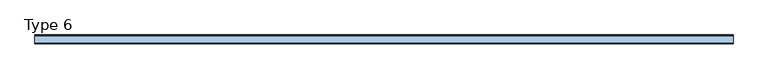
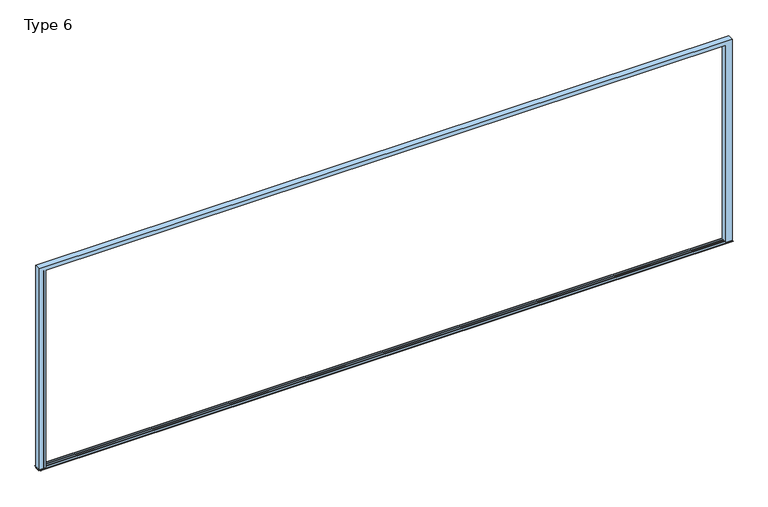
"""IFC4 building model written with IfcOpenShell, lengths in millimetres: window geometry, Type 6."""

from ifc_helpers import new_model, si_unit, frame, origin, place, context, project, spatial, polyline, circle_curve, ellipse_curve, outline, extrude, source, transform, mapped, element, save
from ifc_brep_helpers import plane_surface, cylinder_surface, advanced_brep


def type_6_55e549b1(model_context):
    return source(origin(), model_context, "Body", "SolidModel", [
        advanced_brep(
        [(3890.0, -70.0, 0.0), (3890.0, 0.0, 0.0), (3890.0, 0.0, 2390.0), (3890.0, -70.0, 2390.0), (3845.0, -66.5, 0.0), (3845.0, -70.0, 0.0), (3845.0, -70.0, 2345.0), (3845.0, -66.5, 2345.0), (3818.7961345, -66.5, 2345.0), (-3818.8, -66.5, 2345.0), (-3818.8, -66.5, 2365.9997864), (3818.7961345, -66.5, 2365.9997864), (3818.7961345, -55.8499756, 2365.9997864), (-3818.8, -55.8499756, 2365.9997864), (-3818.8, -55.8499756, 2349.000061), (3818.7961345, -55.8499756, 2349.000061), (3818.7961345, -46.25, 2349.000061), (-3818.8, -46.25, 2349.000061), (-3818.8, -46.25, 2365.9997864), (3818.7961345, -46.25, 2365.9997864), (3818.7961345, -23.7500839, 2365.9997864), (-3818.8, -23.7500839, 2365.9997864), (-3818.8, -23.7500839, 2349.000061), (3818.7961345, -23.7500839, 2349.000061), (3818.7961345, -14.1501312, 2349.000061), (-3818.8, -14.1501312, 2349.000061), (-3818.8, -14.1501312, 2365.9997864), (3818.7961345, -14.1501312, 2365.9997864), (3818.7961345, 0.0, 2365.9997864), (-3818.8, 0.0, 2365.9997864), (-3818.8, 0.0, 2330.0000916), (3818.7961345, 0.0, 2330.0000916), (3830.0000916, 7.4999847, 0.0), (3830.0000916, 0.0, 0.0), (3830.0000916, 0.0, 2330.0000916), (3830.0000916, 7.4999847, 2330.0000916), (3832.5000916, 9.9999847, 0.0), (3832.5000916, 9.9999847, 2332.5000916), (3873.499939, 9.9999847, 0.0), (-3832.5000916, 9.9999847, 2332.5000916), (-3832.5000916, 9.9999847, 0.0), (-3873.499939, 9.9999847, 0.0), (-3873.499939, 9.9999847, 2373.499939), (3873.499939, 9.9999847, 2373.499939), (3877.999939, 5.4999847, 0.0), (3877.999939, 5.4999847, 2377.999939), (3877.999939, 0.0, 0.0), (3877.999939, 0.0, 2377.999939), (-3877.999939, 0.0, 0.0), (-3877.999939, 0.0, 2377.999939), (-3877.999939, 5.4999847, 2377.999939), (-3877.999939, 5.4999847, 0.0), (-3890.0, 0.0, 2390.0), (-3890.0, 0.0, 0.0), (-3890.0, -70.0, 0.0), (-3890.0, -70.0, 2390.0), (-3845.0, -70.0, 2345.0), (-3845.0, -70.0, 0.0), (-3845.0, -66.5, 0.0), (-3845.0, -66.4999084, 2345.0), (-3830.0000916, 7.4999847, 2330.0000916), (-3830.0000916, 0.0, 2330.0000916), (-3830.0000916, 0.0, 0.0), (-3830.0000916, 7.4999847, 0.0), (3840.0003662, -70.0, 2345.0), (3840.0003662, -66.4999084, 2345.0), (-3840.0003662, -66.4999084, 2345.0), (-3840.0003662, -70.0, 2345.0), (3818.7961345, -70.0, 2345.0), (-3818.8, -70.0, 2345.0), (-3840.0003662, -66.4999084, 0.0), (-3840.0003662, -70.0, 0.0), (3840.0003662, -66.4999084, 0.0), (3840.0003662, -70.0, 0.0), (-3818.8, -70.0, 0.0), (-3818.8, 0.0, 0.0), (3818.7961345, 0.0, 0.0), (3818.7961345, -70.0, 0.0)],
        [
            (0, 1),
            (1, 2),
            (2, 3),
            (3, 0),
            (4, 5),
            (5, 6),
            (6, 7),
            (7, 4),
            (8, 9),
            (9, 10),
            (10, 11),
            (11, 8),
            (12, 13),
            (13, 14),
            (14, 15),
            (15, 12),
            (16, 17),
            (17, 18),
            (18, 19),
            (19, 16),
            (20, 21),
            (21, 22),
            (22, 23),
            (23, 20),
            (24, 25),
            (25, 26),
            (26, 27),
            (27, 24),
            (28, 29),
            (29, 30),
            (30, 31),
            (31, 28),
            (32, 33),
            (33, 34),
            (34, 35),
            (35, 32),
            (36, 32, circle_curve(frame((3832.5000916, 7.4999847, 0.0), z_axis=(0.0, 0.0, 1.0), x_axis=(-1.0, 0.0, 0.0)), 2.5)),
            (35, 37, ellipse_curve(frame((3832.5000916, 7.4999847, 2332.5000916), z_axis=(0.7071067811865475, 0.0, -0.7071067811865475), x_axis=(-0.7071067811865474, 0.0, -0.7071067811865476)), 3.5355339, 2.5)),
            (37, 36),
            (38, 36),
            (37, 39),
            (39, 40),
            (40, 41),
            (41, 42),
            (42, 43),
            (43, 38),
            (44, 38, circle_curve(frame((3873.499939, 5.4999847, 0.0), z_axis=(0.0, 0.0, 1.0), x_axis=(-1.0, 0.0, 0.0)), 4.5)),
            (43, 45, ellipse_curve(frame((3873.499939, 5.4999847, 2373.499939), z_axis=(0.7071067811865475, 0.0, -0.7071067811865475), x_axis=(-0.7071067811865474, 0.0, -0.7071067811865476)), 6.363961, 4.5)),
            (45, 44),
            (46, 44),
            (45, 47),
            (47, 46),
            (48, 49),
            (49, 50),
            (50, 51),
            (51, 48),
            (52, 53),
            (53, 54),
            (54, 55),
            (55, 52),
            (56, 57),
            (57, 58),
            (58, 59),
            (59, 56),
            (60, 61),
            (61, 62),
            (62, 63),
            (63, 60),
            (39, 60, ellipse_curve(frame((-3832.5000916, 7.4999847, 2332.5000916), z_axis=(-0.7071067811865475, 0.0, -0.7071067811865475), x_axis=(-0.7071067811865474, 0.0, 0.7071067811865476)), 3.5355339, 2.5)),
            (63, 40, circle_curve(frame((-3832.5000916, 7.4999847, 0.0), z_axis=(0.0, 0.0, 1.0), x_axis=(1.0, 0.0, 0.0)), 2.5)),
            (41, 51, circle_curve(frame((-3873.499939, 5.4999847, 0.0), z_axis=(0.0, 0.0, 1.0), x_axis=(1.0, 0.0, 0.0)), 4.5)),
            (50, 42, ellipse_curve(frame((-3873.499939, 5.4999847, 2373.499939), z_axis=(-0.7071067811865475, 0.0, -0.7071067811865475), x_axis=(-0.7071067811865474, 0.0, 0.7071067811865476)), 6.363961, 4.5)),
            (49, 47),
            (45, 50),
            (6, 64),
            (64, 65),
            (65, 7),
            (59, 66),
            (66, 67),
            (67, 56),
            (68, 69),
            (69, 9),
            (8, 68),
            (12, 11),
            (10, 13),
            (16, 15),
            (14, 17),
            (20, 19),
            (18, 21),
            (24, 23),
            (22, 25),
            (28, 27),
            (26, 29),
            (34, 31),
            (30, 61),
            (60, 35),
            (70, 71),
            (71, 67),
            (66, 70),
            (58, 70),
            (72, 4),
            (65, 72),
            (73, 72),
            (64, 73),
            (74, 75),
            (75, 30),
            (69, 74),
            (76, 77),
            (77, 68),
            (31, 76),
            (1, 46),
            (48, 53),
            (52, 2),
            (75, 62),
            (33, 76),
            (57, 54),
            (74, 71),
            (5, 0),
            (3, 55),
            (77, 73),
        ],
        [
            plane_surface(frame((3890.0, 0.0, 0.0), z_axis=(1.0, 0.0, 0.0), x_axis=(0.0, 0.0, 1.0))),
            plane_surface(frame((3845.0, -70.0, 0.0), z_axis=(-1.0, 0.0, 0.0), x_axis=(0.0, 0.0, 1.0))),
            plane_surface(frame((3845.0, -66.5, 0.0), z_axis=(0.0, 1.0, 0.0), x_axis=(0.0, 0.0, 1.0))),
            plane_surface(frame((3865.9997864, -55.8499756, 0.0), z_axis=(0.0, -1.0, 0.0), x_axis=(0.0, 0.0, 1.0))),
            plane_surface(frame((3849.000061, -46.25, 0.0), z_axis=(0.0, 1.0, 0.0), x_axis=(0.0, 0.0, 1.0))),
            plane_surface(frame((3865.9997864, -23.7500839, 0.0), z_axis=(0.0, -1.0, 0.0), x_axis=(0.0, 0.0, 1.0))),
            plane_surface(frame((3849.000061, -14.1501312, 0.0), z_axis=(0.0, 1.0, 0.0), x_axis=(0.0, 0.0, 1.0))),
            plane_surface(frame((3865.9997864, 0.0, 0.0), z_axis=(0.0, -1.0, 0.0), x_axis=(0.0, 0.0, 1.0))),
            plane_surface(frame((3830.0000916, 0.0, 0.0), z_axis=(-1.0, 0.0, 0.0), x_axis=(0.0, 0.0, 1.0))),
            cylinder_surface(frame((3832.5000916, 7.4999847, 0.0), z_axis=(0.0, 0.0, -1.0), x_axis=(-1.0, 0.0, 0.0)), 2.5),
            plane_surface(frame((3832.5000916, 9.9999847, 0.0), z_axis=(0.0, 1.0, 0.0), x_axis=(0.0, 0.0, 1.0))),
            cylinder_surface(frame((3873.499939, 5.4999847, 0.0), z_axis=(0.0, 0.0, -1.0), x_axis=(-1.0, 0.0, 0.0)), 4.5),
            plane_surface(frame((3877.999939, 5.4999847, 0.0), z_axis=(1.0, 0.0, 0.0), x_axis=(0.0, 0.0, 1.0))),
            plane_surface(frame((-3877.999939, 5.4999847, 2377.999939), z_axis=(-1.0, 0.0, 0.0), x_axis=(0.0, 0.0, -1.0))),
            plane_surface(frame((-3890.0, 0.0, 2390.0), z_axis=(-1.0, 0.0, 0.0), x_axis=(0.0, 0.0, -1.0))),
            plane_surface(frame((-3845.0, -70.0, 2345.0), z_axis=(1.0, 0.0, 0.0), x_axis=(0.0, 0.0, -1.0))),
            plane_surface(frame((-3830.0000916, 0.0, 2330.0000916), z_axis=(1.0, 0.0, 0.0), x_axis=(0.0, 0.0, -1.0))),
            cylinder_surface(frame((-3832.5000916, 7.4999847, 2390.0), z_axis=(0.0, 0.0, 1.0), x_axis=(1.0, 0.0, 0.0)), 2.5),
            cylinder_surface(frame((-3873.499939, 5.4999847, 2390.0), z_axis=(0.0, 0.0, 1.0), x_axis=(1.0, 0.0, 0.0)), 4.5),
            plane_surface(frame((3877.999939, 5.4999847, 2377.999939), z_axis=(0.0, 0.0, 1.0), x_axis=(-1.0, 0.0, 0.0))),
            plane_surface(frame((3845.0, -70.0, 2345.0), z_axis=(0.0, 0.0, -1.0), x_axis=(-1.0, 0.0, 0.0))),
            plane_surface(frame((3865.9997864, -66.5, 2365.9997864), z_axis=(0.0, 0.0, -1.0), x_axis=(-1.0, 0.0, 0.0))),
            plane_surface(frame((3849.000061, -55.8499756, 2349.000061), z_axis=(0.0, 0.0, -1.0), x_axis=(-1.0, 0.0, 0.0))),
            plane_surface(frame((3865.9997864, -46.25, 2365.9997864), z_axis=(0.0, 0.0, -1.0), x_axis=(-1.0, 0.0, 0.0))),
            plane_surface(frame((3849.000061, -23.7500839, 2349.000061), z_axis=(0.0, 0.0, -1.0), x_axis=(-1.0, 0.0, 0.0))),
            plane_surface(frame((3865.9997864, -14.1501312, 2365.9997864), z_axis=(0.0, 0.0, -1.0), x_axis=(-1.0, 0.0, 0.0))),
            plane_surface(frame((3830.0000916, 0.0, 2330.0000916), z_axis=(0.0, 0.0, -1.0), x_axis=(-1.0, 0.0, 0.0))),
            cylinder_surface(frame((3890.0, 7.4999847, 2332.5000916), z_axis=(1.0, 0.0, 0.0), x_axis=(0.0, 0.0, -1.0)), 2.5),
            cylinder_surface(frame((3890.0, 5.4999847, 2373.499939), z_axis=(1.0, 0.0, 0.0), x_axis=(0.0, 0.0, -1.0)), 4.5),
            plane_surface(frame((-3840.0003662, -66.4999084, 2390.0), z_axis=(-1.0, 0.0, 0.0), x_axis=(0.0, 0.0, -1.0))),
            plane_surface(frame((-3865.9997864, -66.4999084, 2390.0), z_axis=(0.0, -1.0, 0.0), x_axis=(0.0, 0.0, -1.0))),
            plane_surface(frame((3840.0003662, -66.4999084, 2390.0), z_axis=(0.0, -1.0, 0.0), x_axis=(0.0, 0.0, -1.0))),
            plane_surface(frame((3840.0003662, -70.0, 2390.0), z_axis=(1.0, 0.0, 0.0), x_axis=(0.0, 0.0, -1.0))),
            plane_surface(frame((-3818.8, -70.0, 2390.0), z_axis=(1.0, 0.0, 0.0), x_axis=(0.0, 0.0, -1.0))),
            plane_surface(frame((3818.7961345, 0.0, 2390.0), z_axis=(-1.0, 0.0, 0.0), x_axis=(0.0, 0.0, -1.0))),
            plane_surface(frame((-3818.8, 0.0, 2390.0), z_axis=(0.0, 1.0, 0.0), x_axis=(0.0, 0.0, -1.0))),
            plane_surface(frame((-3890.0, -70.0, 0.0), z_axis=(0.0, 0.0, -1.0), x_axis=(0.0, -1.0, 0.0))),
            plane_surface(frame((-3840.0003662, -70.0, 2390.0), z_axis=(0.0, -1.0, 0.0), x_axis=(0.0, 0.0, -1.0))),
            plane_surface(frame((3890.0, -70.0, 0.0), z_axis=(0.0, 0.0, -1.0), x_axis=(0.0, -1.0, 0.0))),
            plane_surface(frame((-3890.0, -70.0, 2390.0), z_axis=(0.0, 0.0, 1.0), x_axis=(0.0, -1.0, 0.0))),
        ],
        [
            (0, [[1, 2, 3, 4]]),
            (1, [[5, 6, 7, 8]]),
            (2, [[9, 10, 11, 12]]),
            (3, [[13, 14, 15, 16]]),
            (4, [[17, 18, 19, 20]]),
            (5, [[21, 22, 23, 24]]),
            (6, [[25, 26, 27, 28]]),
            (7, [[29, 30, 31, 32]]),
            (8, [[33, 34, 35, 36]]),
            (9, [[37, -36, 38, 39]]),
            (10, [[40, -39, 41, 42, 43, 44, 45, 46]]),
            (11, [[47, -46, 48, 49]]),
            (12, [[50, -49, 51, 52]]),
            (13, [[53, 54, 55, 56]]),
            (14, [[57, 58, 59, 60]]),
            (15, [[61, 62, 63, 64]]),
            (16, [[65, 66, 67, 68]]),
            (17, [[-42, 69, -68, 70]]),
            (18, [[-44, 71, -55, 72]]),
            (19, [[73, -51, 74, -54]]),
            (20, [[-7, 75, 76, 77]]),
            (20, [[-64, 78, 79, 80]]),
            (20, [[81, 82, -9, 83]]),
            (21, [[-13, 84, -11, 85]]),
            (22, [[-17, 86, -15, 87]]),
            (23, [[-21, 88, -19, 89]]),
            (24, [[-25, 90, -23, 91]]),
            (25, [[-29, 92, -27, 93]]),
            (26, [[-35, 94, -31, 95, -65, 96]]),
            (27, [[-38, -96, -69, -41]]),
            (28, [[-45, -72, -74, -48]]),
            (29, [[97, 98, -79, 99]]),
            (30, [[100, -99, -78, -63]]),
            (31, [[101, -8, -77, 102]]),
            (32, [[103, -102, -76, 104]]),
            (33, [[105, 106, -30, -93, -26, -91, -22, -89, -18, -87, -14, -85, -10, -82, 107]]),
            (34, [[108, 109, -83, -12, -84, -16, -86, -20, -88, -24, -90, -28, -92, -32, 110]]),
            (35, [[111, -52, -73, -53, 112, -57, 113, -2]]),
            (35, [[114, -66, -95, -106]]),
            (35, [[115, -110, -94, -34]]),
            (36, [[-97, -100, -62, 116, -58, -112, -56, -71, -43, -70, -67, -114, -105, 117]]),
            (37, [[118, -4, 119, -59, -116, -61, -80, -98, -117, -107, -81, -109, 120, -104, -75, -6]]),
            (38, [[-120, -108, -115, -33, -37, -40, -47, -50, -111, -1, -118, -5, -101, -103]]),
            (39, [[-3, -113, -60, -119]]),
        ],
    ),
        extrude(outline(polyline([(15.0, 1.0391775), (15.0, 0.0), (-6.000061, 0.0), (-6.000061, -12.4999924), (-64.000061, -12.4999924), (-64.000061, 0.0), (-85.0000807, 0.0), (-85.0000807, 1.0392014), (-80.7379205, 3.4999924), (-53.5502106, 3.4999924), (-53.5502106, 7.1000061), (-46.250061, 7.1000061), (-46.250061, -8.6999969), (-23.750061, -8.6999969), (-23.750061, 7.1000061), (-16.4499115, 7.1000061), (-16.4499115, 3.5000076), (10.737772, 3.5000076), (15.0, 1.0391775)])), frame((-3890.0, 0.0, 0.0), z_axis=(1.0, 0.0, 0.0), x_axis=(0.0, 1.0, 0.0)), (0.0, 0.0, 1.0), 7780.0),
    ])


if __name__ == "__main__":
    model = new_model("IFC4")
    model_context = context("Model", 3, world=origin())
    ifc_project = project(units=[si_unit("LENGTHUNIT", "METRE", prefix="MILLI")], contexts=[model_context])
    site = spatial("IfcSite", under=ifc_project)
    building = spatial("IfcBuilding", under=site)
    placement = place(None, origin())
    type_6_shape = type_6_55e549b1(model_context)
    element("IfcWindow", 1, ObjectType="Type 6", at=placement, inside=building, context=model_context, shape_type="MappedRepresentation", body=[
        mapped(type_6_shape, transform((0.0, 0.0, 0.0), x_axis=(1.0, 0.0, 0.0), y_axis=(0.0, 1.0, 0.0), z_axis=(0.0, 0.0, 1.0))),
    ])
    save(model, "model.ifc")
